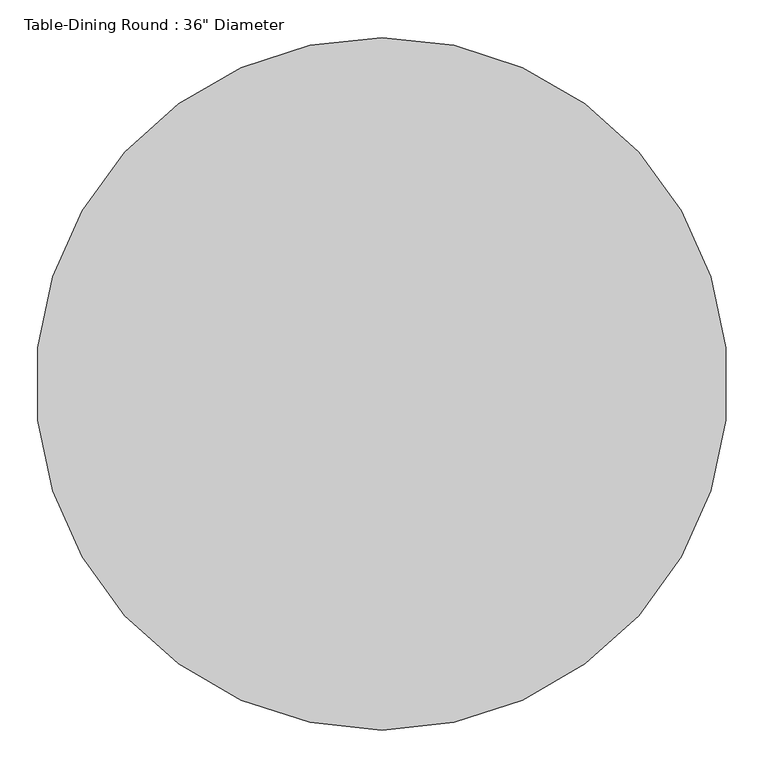
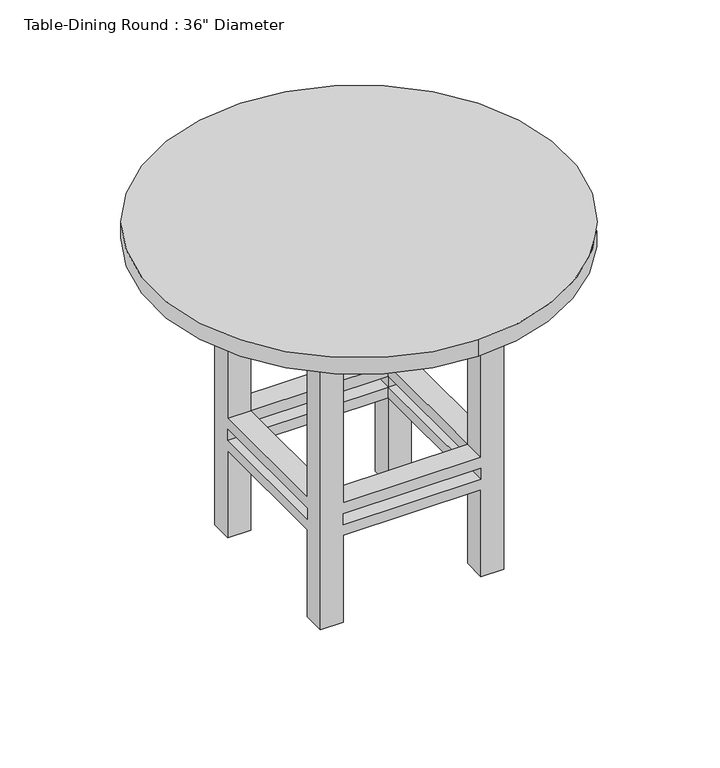
"""IFC4 building model written with IfcOpenShell, lengths in millimetres: furniture geometry."""

from ifc_helpers import new_model, si_unit, point, frame, frame_2d, origin, place, context, project, spatial, polyline, circle_curve, trimmed, segment, composite_curve, outline, extrude, faceted_brep, source, transform, mapped, element, save


def furniture_77c44ada(model_context):
    return source(origin(), model_context, "Body", "SolidModel", [
        faceted_brep([(-48.7180328, 18.3213115, 723.9), (-99.5180328, 18.3213115, 723.9), (-99.5180328, -32.4786885, 723.9), (-48.7180328, -32.4786885, 723.9), (256.0819672, 18.3213115, 723.9), (256.0819672, -32.4786885, 723.9), (306.8819672, -32.4786885, 723.9), (306.8819672, 18.3213115, 723.9), (256.0819672, -388.0786885, 723.9), (306.8819672, -388.0786885, 723.9), (306.8819672, -337.2786885, 723.9), (256.0819672, -337.2786885, 723.9), (-48.7180328, -388.0786885, 723.9), (-48.7180328, -337.2786885, 723.9), (-99.5180328, -337.2786885, 723.9), (-99.5180328, -388.0786885, 723.9), (-48.7180328, 18.3213115, 0.0), (-48.7180328, -32.4786885, 0.0), (-99.5180328, -32.4786885, 0.0), (-99.5180328, 18.3213115, 0.0), (256.0819672, 18.3213115, 0.0), (306.8819672, 18.3213115, 0.0), (306.8819672, -32.4786885, 0.0), (256.0819672, -32.4786885, 0.0), (256.0819672, -388.0786885, 0.0), (256.0819672, -337.2786885, 0.0), (306.8819672, -337.2786885, 0.0), (306.8819672, -388.0786885, 0.0), (-48.7180328, -388.0786885, 0.0), (-99.5180328, -388.0786885, 0.0), (-99.5180328, -337.2786885, 0.0), (-48.7180328, -337.2786885, 0.0), (-48.7180328, 18.3213115, 279.4), (256.0819672, 18.3213115, 279.4), (256.0819672, 18.3213115, 203.2), (-48.7180328, 18.3213115, 203.2), (256.0819672, 18.3213115, 228.6), (256.0819672, 18.3213115, 254.0), (-48.7180328, 18.3213115, 254.0), (-48.7180328, 18.3213115, 228.6), (-99.5180328, -32.4786885, 203.2), (-99.5180328, -337.2786885, 203.2), (-99.5180328, -337.2786885, 279.4), (-99.5180328, -32.4786885, 279.4), (-99.5180328, -32.4786885, 228.6), (-99.5180328, -32.4786885, 254.0), (-99.5180328, -337.2786885, 254.0), (-99.5180328, -337.2786885, 228.6), (-48.7180328, -32.4786885, 279.4), (-48.7180328, -32.4786885, 203.2), (-48.7180328, -32.4786885, 228.6), (-48.7180328, -32.4786885, 254.0), (256.0819672, -32.4786885, 279.4), (256.0819672, -32.4786885, 203.2), (256.0819672, -32.4786885, 228.6), (256.0819672, -32.4786885, 254.0), (306.8819672, -32.4786885, 279.4), (306.8819672, -32.4786885, 203.2), (306.8819672, -32.4786885, 228.6), (306.8819672, -32.4786885, 254.0), (306.8819672, -337.2786885, 279.4), (306.8819672, -337.2786885, 203.2), (306.8819672, -337.2786885, 228.6), (306.8819672, -337.2786885, 254.0), (256.0819672, -388.0786885, 279.4), (-48.7180328, -388.0786885, 279.4), (-48.7180328, -388.0786885, 203.2), (256.0819672, -388.0786885, 203.2), (-48.7180328, -388.0786885, 228.6), (-48.7180328, -388.0786885, 254.0), (256.0819672, -388.0786885, 254.0), (256.0819672, -388.0786885, 228.6), (256.0819672, -337.2786885, 279.4), (256.0819672, -337.2786885, 203.2), (256.0819672, -337.2786885, 228.6), (256.0819672, -337.2786885, 254.0), (-48.7180328, -337.2786885, 279.4), (-48.7180328, -337.2786885, 203.2), (-48.7180328, -337.2786885, 228.6), (-48.7180328, -337.2786885, 254.0)], [[[0, 1, 2, 3]], [[4, 5, 6, 7]], [[8, 9, 10, 11]], [[12, 13, 14, 15]], [[16, 17, 18, 19]], [[20, 21, 22, 23]], [[24, 25, 26, 27]], [[28, 29, 30, 31]], [[1, 0, 32, 33, 4, 7, 21, 20, 34, 35, 16, 19], [36, 37, 38, 39]], [[2, 1, 19, 18, 40, 41, 30, 29, 15, 14, 42, 43], [44, 45, 46, 47]], [[3, 2, 43, 48]], [[18, 17, 49, 40]], [[44, 50, 51, 45]], [[0, 3, 48, 32]], [[17, 16, 35, 49]], [[50, 39, 38, 51]], [[5, 4, 33, 52]], [[20, 23, 53, 34]], [[36, 54, 55, 37]], [[6, 5, 52, 56]], [[23, 22, 57, 53]], [[54, 58, 59, 55]], [[21, 7, 6, 56, 60, 10, 9, 27, 26, 61, 57, 22], [62, 63, 59, 58]], [[27, 9, 8, 64, 65, 12, 15, 29, 28, 66, 67, 24], [68, 69, 70, 71]], [[11, 10, 60, 72]], [[26, 25, 73, 61]], [[62, 74, 75, 63]], [[8, 11, 72, 64]], [[25, 24, 67, 73]], [[74, 71, 70, 75]], [[13, 12, 65, 76]], [[28, 31, 77, 66]], [[68, 78, 79, 69]], [[14, 13, 76, 42]], [[31, 30, 41, 77]], [[78, 47, 46, 79]], [[54, 74, 62, 58]], [[74, 78, 68, 71]], [[78, 50, 44, 47]], [[50, 54, 36, 39]], [[53, 49, 35, 34]], [[49, 77, 41, 40]], [[77, 73, 67, 66]], [[73, 53, 57, 61]], [[74, 54, 53, 73]], [[78, 74, 73, 77]], [[50, 78, 77, 49]], [[54, 50, 49, 53]], [[52, 72, 60, 56]], [[72, 76, 65, 64]], [[76, 48, 43, 42]], [[48, 52, 33, 32]], [[55, 51, 38, 37]], [[51, 79, 46, 45]], [[79, 75, 70, 69]], [[75, 55, 59, 63]], [[72, 52, 55, 75]], [[76, 72, 75, 79]], [[48, 76, 79, 51]], [[52, 48, 51, 55]]]),
        extrude(outline(polyline([(332.2819672, 43.7213115), (332.2819672, -413.4786885), (-124.9180328, -413.4786885), (-124.9180328, 43.7213115), (332.2819672, 43.7213115)]), holes=[polyline([(306.8819672, 18.3213115), (-99.5180328, 18.3213115), (-99.5180328, -388.0786885), (306.8819672, -388.0786885), (306.8819672, 18.3213115)])]), frame((0.0, 0.0, 647.7), z_axis=(0.0, 0.0, 1.0), x_axis=(1.0, 0.0, 0.0)), (0.0, 0.0, 1.0), 76.2),
        extrude(outline(composite_curve([segment(trimmed(circle_curve(frame_2d((103.6819672, -184.8786885)), 457.2), [point((103.6819672, -642.0786885))], [point((103.6819672, 272.3213115))], False, "CARTESIAN"), True, "CONTINUOUS"), segment(trimmed(circle_curve(frame_2d((103.6819672, -184.8786885)), 457.2), [point((103.6819672, 272.3213115))], [point((103.6819672, -642.0786885))], False, "CARTESIAN"), True, "CONTINUOUS")], self_intersect=False)), frame((0.0, 0.0, 723.9), z_axis=(0.0, 0.0, 1.0), x_axis=(1.0, 0.0, 0.0)), (0.0, 0.0, 1.0), 38.1),
    ])


if __name__ == "__main__":
    model = new_model("IFC4")
    model_context = context("Model", 3, world=origin())
    ifc_project = project(units=[si_unit("LENGTHUNIT", "METRE", prefix="MILLI")], contexts=[model_context])
    site = spatial("IfcSite", under=ifc_project)
    building = spatial("IfcBuilding", under=site)
    placement = place(None, origin())
    furniture_shape = furniture_77c44ada(model_context)
    element("IfcFurniture", 1, ObjectType="Table-Dining Round : 36\" Diameter", at=placement, inside=building, context=model_context, shape_type="MappedRepresentation", body=[
        mapped(furniture_shape, transform((0.0, 0.0, 0.0), x_axis=(1.0, 0.0, 0.0), y_axis=(0.0, 1.0, 0.0), z_axis=(0.0, 0.0, 1.0))),
    ])
    save(model, "model.ifc")
